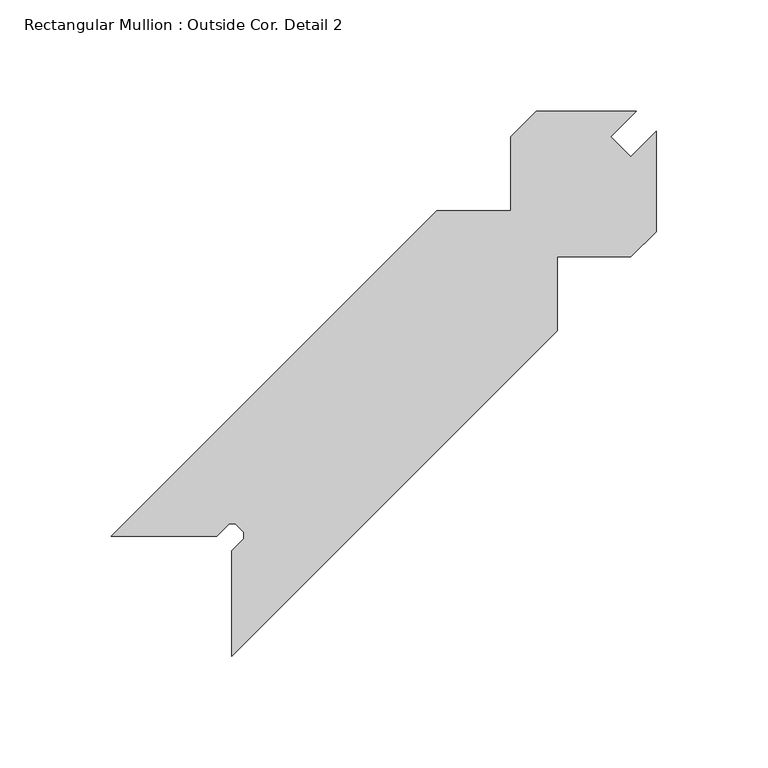
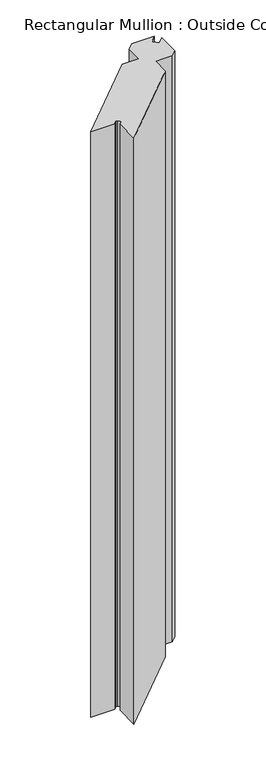
"""IFC4 building model written with IfcOpenShell, lengths in millimetres: member geometry, Rectangular Mullion : Outside Cor. Detail 2."""

from ifc_helpers import new_model, si_unit, frame, origin, place, context, project, spatial, polyline, outline, extrude, source, transform, mapped, element, save


def rectangular_mullion_outside_cor_detail_2_840c8a90(model_context):
    return source(origin(), model_context, "Body", "SweptSolid", [
        extrude(outline(polyline([(-74.0548559, -72.4673559), (-220.1048559, -218.5173559), (-220.1048559, -171.2733559), (-214.6011926, -165.7696926), (-214.6011926, -163.0356192), (-218.5127926, -159.1240192), (-221.2305926, -159.1240192), (-226.7423926, -164.6358192), (-273.9863926, -164.6358192), (-127.9363926, -18.5858192), (-94.9163926, -18.5858192), (-94.9163926, 14.4341808), (-83.4863926, 25.8641808), (-38.6045926, 25.8641808), (-50.0492456, 14.4195279), (-41.0495088, 5.4197912), (-29.6048559, 16.8644441), (-29.6048559, -28.0173559), (-41.0348559, -39.4473559), (-74.0548559, -39.4473559), (-74.0548559, -72.4673559)])), frame((0.0, 0.0, -1219.2), z_axis=(0.0, 0.0, 1.0), x_axis=(1.0, 0.0, 0.0)), (0.0, 0.0, 1.0), 1219.2),
    ])


if __name__ == "__main__":
    model = new_model("IFC4")
    model_context = context("Model", 3, world=origin())
    ifc_project = project(units=[si_unit("LENGTHUNIT", "METRE", prefix="MILLI")], contexts=[model_context])
    site = spatial("IfcSite", under=ifc_project)
    building = spatial("IfcBuilding", under=site)
    placement = place(None, origin())
    rectangular_mullion_outside_cor_detail_2_shape = rectangular_mullion_outside_cor_detail_2_840c8a90(model_context)
    element("IfcMember", 1, ObjectType="Rectangular Mullion : Outside Cor. Detail 2", at=placement, inside=building, context=model_context, shape_type="MappedRepresentation", body=[
        mapped(rectangular_mullion_outside_cor_detail_2_shape, transform((0.0, 0.0, 0.0), x_axis=(1.0, 0.0, 0.0), y_axis=(0.0, 1.0, 0.0), z_axis=(0.0, 0.0, 1.0))),
    ])
    save(model, "model.ifc")
